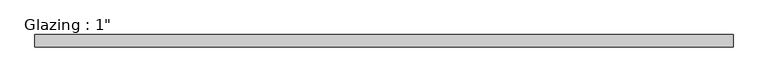
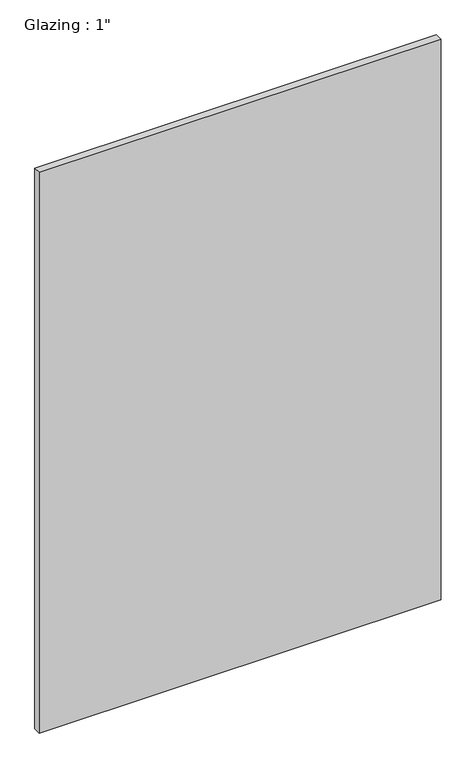
"""IFC4 building model written with IfcOpenShell, lengths in millimetres: plate geometry."""

from ifc_helpers import new_model, si_unit, origin, origin_with_axes, place, context, project, spatial, polyline, outline, extrude, source, transform, mapped, element, save


def plate_4cac5365(model_context):
    return source(origin(), model_context, "Body", "SweptSolid", [
        extrude(outline(polyline([(712.2465169, 12.7), (712.2465169, -12.7), (-712.2465169, -12.7), (-712.2465169, 12.7), (712.2465169, 12.7)])), origin_with_axes(), (0.0, 0.0, 1.0), 2100.892839),
    ])


if __name__ == "__main__":
    model = new_model("IFC4")
    model_context = context("Model", 3, world=origin())
    ifc_project = project(units=[si_unit("LENGTHUNIT", "METRE", prefix="MILLI")], contexts=[model_context])
    site = spatial("IfcSite", under=ifc_project)
    building = spatial("IfcBuilding", under=site)
    placement = place(None, origin())
    plate_shape = plate_4cac5365(model_context)
    element("IfcPlate", 1, ObjectType="Glazing : 1\"", at=placement, inside=building, context=model_context, shape_type="MappedRepresentation", body=[
        mapped(plate_shape, transform((0.0, 0.0, 0.0), x_axis=(1.0, 0.0, 0.0), y_axis=(0.0, 1.0, 0.0), z_axis=(0.0, 0.0, 1.0))),
    ])
    save(model, "model.ifc")
